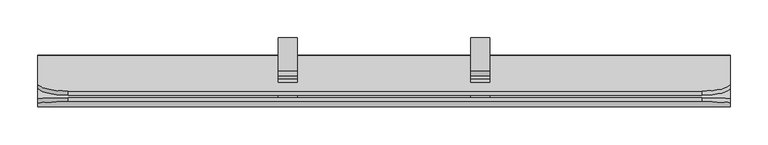
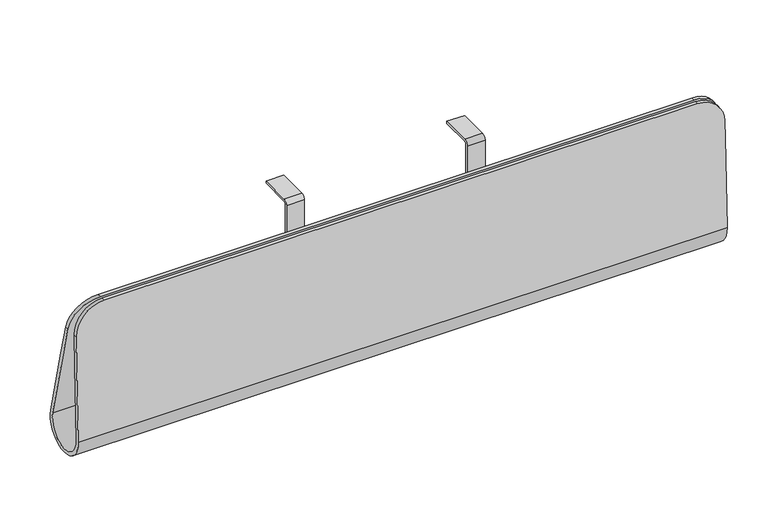
"""IFC4 building model written with IfcOpenShell, lengths in millimetres: furniture geometry."""

from ifc_helpers import new_model, si_unit, point, frame, frame_2d, origin, place, context, project, spatial, polyline, circle_curve, ellipse_curve, trimmed, segment, composite_curve, outline, extrude, source, transform, mapped, element, save
from ifc_brep_helpers import plane_surface, cylinder_surface, revolved_surface, advanced_brep


def furniture_a9377d5e(model_context):
    return source(origin(), model_context, "Body", "SolidModel", [
        extrude(outline(composite_curve([segment(polyline([(-33.3815971, 695.5738947), (-76.9351284, 695.5738947)]), True, "CONTINUOUS"), segment(trimmed(circle_curve(frame_2d((-76.9351284, 692.219915)), 3.3539797), [point((-76.9351284, 695.5738947))], [point((-80.2891081, 692.219915))], True, "CARTESIAN"), True, "CONTINUOUS"), segment(polyline([(-80.2891081, 692.219915), (-80.2891081, 626.9360785)]), True, "CONTINUOUS"), segment(trimmed(circle_curve(frame_2d((-86.6323983, 626.9360785)), 6.3432901), [point((-80.2891081, 626.9360785))], [point((-86.6323983, 620.5927883))], False, "CARTESIAN"), True, "CONTINUOUS"), segment(polyline([(-86.6323983, 620.5927883), (-100.5256574, 620.5927883)]), True, "CONTINUOUS"), segment(trimmed(circle_curve(frame_2d((-100.5256574, 629.9560246)), 9.3632363), [point((-100.5256574, 620.5927883))], [point((-107.4309733, 623.6325124))], False, "CARTESIAN"), True, "CONTINUOUS"), segment(polyline([(-107.4309733, 623.6325124), (-117.7964919, 641.5861173), (-114.7522656, 643.3437021), (-104.386747, 625.3900972)]), True, "CONTINUOUS"), segment(trimmed(circle_curve(frame_2d((-101.6045306, 626.9964106)), 3.2126268), [point((-104.386747, 625.3900972))], [point((-101.614696, 623.7837999))], True, "CARTESIAN"), True, "CONTINUOUS"), segment(polyline([(-101.614696, 623.7837999), (-87.5440565, 623.7837999)]), True, "CONTINUOUS"), segment(trimmed(circle_curve(frame_2d((-87.5440565, 627.8477185)), 4.0639185), [point((-87.5440565, 623.7837999))], [point((-83.4801379, 627.8477185))], True, "CARTESIAN"), True, "CONTINUOUS"), segment(polyline([(-83.4801379, 627.8477185), (-83.4801379, 692.4149063)]), True, "CONTINUOUS"), segment(trimmed(circle_curve(frame_2d((-77.1301379, 692.4149063)), 6.35), [point((-83.4801379, 692.4149063))], [point((-77.1301379, 698.7649063))], False, "CARTESIAN"), True, "CONTINUOUS"), segment(polyline([(-77.1301379, 698.7649063), (-33.3815971, 698.7649063), (-33.3815971, 695.5738947)]), True, "CONTINUOUS")], self_intersect=False)), frame((572.0103547, 0.0, 0.0), z_axis=(1.0, 0.0, 0.0), x_axis=(0.0, 1.0, 0.0)), (0.0, 0.0, 1.0), 25.061043),
        extrude(outline(composite_curve([segment(polyline([(-33.3815971, 695.5738947), (-76.9351284, 695.5738947)]), True, "CONTINUOUS"), segment(trimmed(circle_curve(frame_2d((-76.9351284, 692.219915)), 3.3539797), [point((-76.9351284, 695.5738947))], [point((-80.2891081, 692.219915))], True, "CARTESIAN"), True, "CONTINUOUS"), segment(polyline([(-80.2891081, 692.219915), (-80.2891081, 626.9360785)]), True, "CONTINUOUS"), segment(trimmed(circle_curve(frame_2d((-86.6323983, 626.9360785)), 6.3432901), [point((-80.2891081, 626.9360785))], [point((-86.6323983, 620.5927883))], False, "CARTESIAN"), True, "CONTINUOUS"), segment(polyline([(-86.6323983, 620.5927883), (-100.5256574, 620.5927883)]), True, "CONTINUOUS"), segment(trimmed(circle_curve(frame_2d((-100.5256574, 629.9560246)), 9.3632363), [point((-100.5256574, 620.5927883))], [point((-107.4309733, 623.6325124))], False, "CARTESIAN"), True, "CONTINUOUS"), segment(polyline([(-107.4309733, 623.6325124), (-117.7964919, 641.5861173), (-114.7522656, 643.3437021), (-104.386747, 625.3900972)]), True, "CONTINUOUS"), segment(trimmed(circle_curve(frame_2d((-101.6045306, 626.9964106)), 3.2126268), [point((-104.386747, 625.3900972))], [point((-101.614696, 623.7837999))], True, "CARTESIAN"), True, "CONTINUOUS"), segment(polyline([(-101.614696, 623.7837999), (-87.5440565, 623.7837999)]), True, "CONTINUOUS"), segment(trimmed(circle_curve(frame_2d((-87.5440565, 627.8477185)), 4.0639185), [point((-87.5440565, 623.7837999))], [point((-83.4801379, 627.8477185))], True, "CARTESIAN"), True, "CONTINUOUS"), segment(polyline([(-83.4801379, 627.8477185), (-83.4801379, 692.4149063)]), True, "CONTINUOUS"), segment(trimmed(circle_curve(frame_2d((-77.1301379, 692.4149063)), 6.35), [point((-83.4801379, 692.4149063))], [point((-77.1301379, 698.7649063))], False, "CARTESIAN"), True, "CONTINUOUS"), segment(polyline([(-77.1301379, 698.7649063), (-33.3815971, 698.7649063), (-33.3815971, 695.5738947)]), True, "CONTINUOUS")], self_intersect=False)), frame((317.3286023, 0.0, 0.0), z_axis=(1.0, 0.0, 0.0), x_axis=(0.0, 1.0, 0.0)), (0.0, 0.0, 1.0), 25.061043),
        advanced_brep(
        [(40.3181575, -103.7425341, 669.4194647), (40.3181575, -108.9780589, 669.4194647), (876.6218425, -108.9780589, 669.4194647), (876.6218425, -103.7425341, 669.4194647), (40.3181575, -112.8163456, 669.4194647), (40.3181575, -117.8994495, 669.4194647), (876.6218425, -117.8994495, 669.4194647), (876.6218425, -112.8163456, 669.4194647), (914.4, -99.5589064, 631.6413072), (914.4, -94.3233815, 631.6413072), (914.4, -119.2186918, 631.6413072), (914.4, -114.1355879, 631.6413072), (0.0, -93.6900884, 629.1013072), (0.0, -98.9256132, 629.1013072), (0.0, -114.2242867, 629.1013072), (0.0, -119.3073906, 629.1013072), (914.4, -57.1774297, 482.657032), (0.0, -57.1774297, 482.657032), (0.0, -82.2895395, 583.3762033), (914.4, -88.1758082, 606.9847372), (0.0, -124.6690533, 475.5633765), (0.0, -120.9041464, 583.3762033), (0.0, -115.8210425, 583.3762033), (0.0, -119.5921405, 475.3860868), (0.0, -62.1065392, 481.4280669), (0.0, -87.5250644, 583.3762033), (914.4, -62.1065392, 481.4280669), (914.4, -93.411333, 606.9847372), (914.4, -119.5921405, 475.3860868), (914.4, -114.9966143, 606.9847372), (914.4, -120.0797182, 606.9847372), (914.4, -124.6690533, 475.5633765)],
        [
            (0, 1),
            (1, 2),
            (2, 3),
            (3, 0),
            (4, 5),
            (5, 6),
            (6, 7),
            (7, 4),
            (2, 8, ellipse_curve(frame((876.6218425, -99.5589064, 631.6413072), z_axis=(0.0, 0.9702957262759967, 0.24192189559966676), x_axis=(0.0, 0.24192189559966668, -0.9702957262759967)), 38.934684, 37.7781575)),
            (8, 9),
            (9, 3, ellipse_curve(frame((876.6218425, -94.3233815, 631.6413072), z_axis=(0.0, -0.9702957262759969, -0.24192189559966612), x_axis=(0.0, 0.2419218955996655, -0.9702957262759969)), 38.934684, 37.7781575)),
            (6, 10, ellipse_curve(frame((876.6218425, -119.2186918, 631.6413072), z_axis=(0.0, 0.9993908270190958, -0.03489949670250132), x_axis=(0.0, 0.034899496702498214, 0.9993908270190958)), 37.801185, 37.7781575)),
            (10, 11),
            (11, 7, ellipse_curve(frame((876.6218425, -114.1355879, 631.6413072), z_axis=(0.0, -0.9993908270190957, 0.034899496702502544), x_axis=(0.0, 0.034899496702503356, 0.9993908270190957)), 37.801185, 37.7781575)),
            (0, 12, ellipse_curve(frame((40.3181575, -93.6900884, 629.1013072), z_axis=(0.0, -0.9702957262759969, -0.24192189559966612), x_axis=(0.0, 0.2419218955996655, -0.9702957262759969)), 41.5524427, 40.3181575)),
            (12, 13),
            (13, 1, ellipse_curve(frame((40.3181575, -98.9256132, 629.1013072), z_axis=(0.0, 0.9702957262759967, 0.24192189559966676), x_axis=(0.0, 0.24192189559966668, -0.9702957262759967)), 41.5524427, 40.3181575)),
            (4, 14, ellipse_curve(frame((40.3181575, -114.2242867, 629.1013072), z_axis=(0.0, -0.9993908270190957, 0.034899496702502544), x_axis=(0.0, 0.034899496702503356, 0.9993908270190957)), 40.3427332, 40.3181575)),
            (14, 15),
            (15, 5, ellipse_curve(frame((40.3181575, -119.3073906, 629.1013072), z_axis=(0.0, 0.9993908270190958, -0.03489949670250132), x_axis=(0.0, 0.034899496702498214, 0.9993908270190958)), 40.3427332, 40.3181575)),
            (16, 17),
            (17, 18),
            (18, 12),
            (9, 19),
            (19, 16),
            (17, 20, circle_curve(frame((0.0, -90.4247674, 474.3675397), z_axis=(-1.0, 0.0, 0.0), x_axis=(0.0, 0.9702957262759965, 0.2419218955996678)), 34.2651593)),
            (20, 21),
            (21, 15),
            (14, 22),
            (22, 23),
            (23, 24, circle_curve(frame((0.0, -90.4247674, 474.3675397), z_axis=(1.0, 0.0, 0.0), x_axis=(0.0, 0.9702957262759965, 0.2419218955996678)), 29.1851519)),
            (24, 25),
            (25, 13),
            (24, 26),
            (26, 27),
            (27, 8),
            (26, 28, circle_curve(frame((914.4, -90.4247674, 474.3675397), z_axis=(-1.0, 0.0, 0.0), x_axis=(0.0, 0.9702957262759965, 0.2419218955996678)), 29.1851519)),
            (28, 29),
            (29, 11),
            (10, 30),
            (30, 31),
            (31, 16, circle_curve(frame((914.4, -90.4247674, 474.3675397), z_axis=(1.0, 0.0, 0.0), x_axis=(0.0, 0.9702957262759965, 0.2419218955996678)), 34.2651593)),
            (20, 31),
            (28, 23),
        ],
        [
            plane_surface(frame((40.3181575, -251.206, 669.4194647), z_axis=(0.0, 0.0, 1.0), x_axis=(0.0, 1.0, 0.0))),
            cylinder_surface(frame((876.6218425, 0.0, 631.6413072), z_axis=(0.0, 1.0, 0.0), x_axis=(1.0, 0.0, 0.0)), 37.7781575),
            cylinder_surface(frame((40.3181575, 0.0, 629.1013072), z_axis=(0.0, 1.0, 0.0), x_axis=(1.0, 0.0, 0.0)), 40.3181575),
            plane_surface(frame((914.4, -104.7476671, 673.4508331), z_axis=(0.0, 0.9702957262759969, 0.24192189559966612), x_axis=(0.0, 0.24192189559966612, -0.9702957262759969))),
            plane_surface(frame((0.0, -104.7476671, 673.4508331), z_axis=(-1.0, 0.0, 0.0), x_axis=(0.0, 0.2419218955996668, -0.9702957262759967))),
            plane_surface(frame((0.0, -109.6767766, 672.221868), z_axis=(0.0, -0.9702957262759967, -0.24192189559966676), x_axis=(0.0, 0.24192189559966676, -0.9702957262759967))),
            plane_surface(frame((914.4, -109.6767766, 672.221868), z_axis=(1.0, 0.0, 0.0), x_axis=(0.0, 0.24192189559966643, -0.9702957262759968))),
            plane_surface(frame((914.4, -124.6690533, 475.5633765), z_axis=(0.0, -0.9993908270190958, 0.03489949670250132), x_axis=(0.0, 0.03489949670250132, 0.9993908270190958))),
            plane_surface(frame((0.0, -119.5921405, 475.3860868), z_axis=(0.0, 0.9993908270190957, -0.034899496702502544), x_axis=(0.0, 0.034899496702502544, 0.9993908270190957))),
            cylinder_surface(frame((0.0, -90.4247674, 474.3675397), z_axis=(-1.0, 0.0, 0.0), x_axis=(0.0, 0.9702957262759965, 0.2419218955996678)), 34.2651593),
            revolved_surface(polyline([(0.0, -62.10653924071421, 481.42806697101224), (914.4, -62.10653924071421, 481.42806697101224)]), (0.0, -90.4247674, 474.3675397), (-1.0, 0.0, 0.0)),
        ],
        [
            (0, [[1, 2, 3, 4]]),
            (0, [[5, 6, 7, 8]]),
            (1, [[-3, 9, 10, 11]]),
            (1, [[-7, 12, 13, 14]]),
            (2, [[-1, 15, 16, 17]]),
            (2, [[-5, 18, 19, 20]]),
            (3, [[21, 22, 23, -15, -4, -11, 24, 25]]),
            (4, [[26, 27, 28, -19, 29, 30, 31, 32, 33, -16, -23, -22]]),
            (5, [[34, 35, 36, -9, -2, -17, -33, -32]]),
            (6, [[37, 38, 39, -13, 40, 41, 42, -25, -24, -10, -36, -35]]),
            (7, [[43, -41, -40, -12, -6, -20, -28, -27]]),
            (8, [[44, -30, -29, -18, -8, -14, -39, -38]]),
            (9, [[-21, -42, -43, -26]]),
            (10, [[-31, -44, -37, -34]]),
        ],
    ),
    ])


if __name__ == "__main__":
    model = new_model("IFC4")
    model_context = context("Model", 3, world=origin())
    ifc_project = project(units=[si_unit("LENGTHUNIT", "METRE", prefix="MILLI")], contexts=[model_context])
    site = spatial("IfcSite", under=ifc_project)
    building = spatial("IfcBuilding", under=site)
    placement = place(None, origin())
    furniture_shape = furniture_a9377d5e(model_context)
    element("IfcFurniture", 1, at=placement, inside=building, context=model_context, shape_type="MappedRepresentation", body=[
        mapped(furniture_shape, transform((0.0, 0.0, 0.0), x_axis=(1.0, 0.0, 0.0), y_axis=(0.0, 1.0, 0.0), z_axis=(0.0, 0.0, 1.0))),
    ])
    save(model, "model.ifc")
